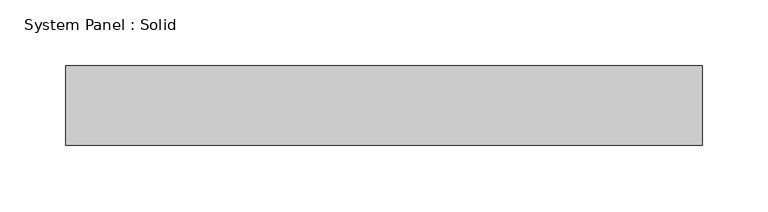
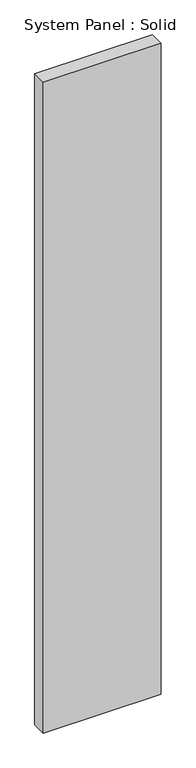
"""IFC4 building model written with IfcOpenShell, lengths in millimetres: plate geometry, System Panel : Solid."""

from ifc_helpers import new_model, si_unit, origin, origin_with_axes, place, context, project, spatial, polyline, outline, extrude, source, transform, mapped, element, save


def system_panel_solid_ed5d97e5(model_context):
    return source(origin(), model_context, "Body", "SweptSolid", [
        extrude(outline(polyline([(241.3, -10.5), (-241.3, -10.5), (-241.3, 49.5), (241.3, 49.5), (241.3, -10.5)])), origin_with_axes(), (0.0, 0.0, 1.0), 2815.1328001),
    ])


if __name__ == "__main__":
    model = new_model("IFC4")
    model_context = context("Model", 3, world=origin())
    ifc_project = project(units=[si_unit("LENGTHUNIT", "METRE", prefix="MILLI")], contexts=[model_context])
    site = spatial("IfcSite", under=ifc_project)
    building = spatial("IfcBuilding", under=site)
    placement = place(None, origin())
    system_panel_solid_shape = system_panel_solid_ed5d97e5(model_context)
    element("IfcPlate", 1, ObjectType="System Panel : Solid", at=placement, inside=building, context=model_context, shape_type="MappedRepresentation", body=[
        mapped(system_panel_solid_shape, transform((0.0, 0.0, 0.0), x_axis=(1.0, 0.0, 0.0), y_axis=(0.0, 1.0, 0.0), z_axis=(0.0, 0.0, 1.0))),
    ])
    save(model, "model.ifc")
